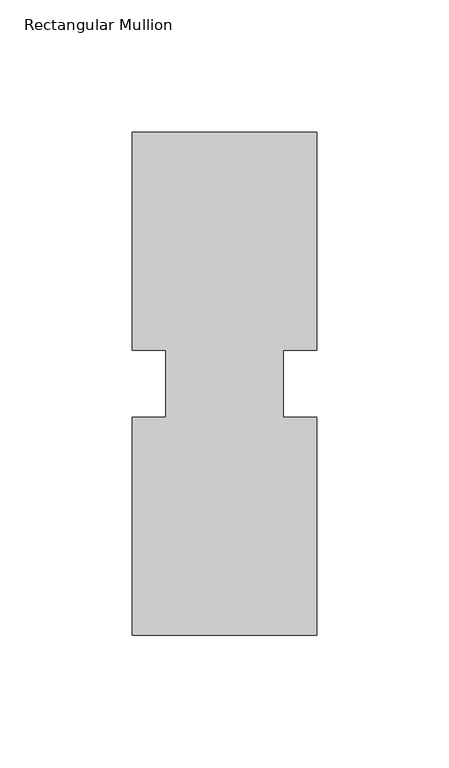
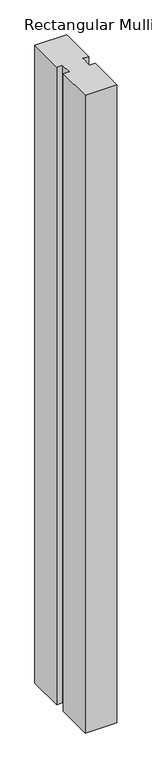
"""IFC4 building model written with IfcOpenShell, lengths in millimetres: member geometry, Rectangular Mullion."""

from ifc_helpers import new_model, si_unit, frame, origin, place, context, project, spatial, polyline, outline, extrude, source, transform, mapped, element, save


def rectangular_mullion_443ddeeb(model_context):
    return source(origin(), model_context, "Body", "SweptSolid", [
        extrude(outline(polyline([(39.2594027, 95.25), (39.2594027, 12.7), (26.5576322, 12.7), (26.5576322, -12.7), (39.2594027, -12.7), (39.2594027, -95.25), (-30.5905973, -95.25), (-30.5905973, -12.7), (-17.8905973, -12.7), (-17.8905973, 12.7), (-30.5905973, 12.7), (-30.5905973, 95.25), (39.2594027, 95.25)])), frame((0.0, 0.0, -1478.28), z_axis=(0.0, 0.0, 1.0), x_axis=(1.0, 0.0, 0.0)), (0.0, 0.0, 1.0), 1478.28),
    ])


if __name__ == "__main__":
    model = new_model("IFC4")
    model_context = context("Model", 3, world=origin())
    ifc_project = project(units=[si_unit("LENGTHUNIT", "METRE", prefix="MILLI")], contexts=[model_context])
    site = spatial("IfcSite", under=ifc_project)
    building = spatial("IfcBuilding", under=site)
    placement = place(None, origin())
    rectangular_mullion_shape = rectangular_mullion_443ddeeb(model_context)
    element("IfcMember", 1, ObjectType="Rectangular Mullion", at=placement, inside=building, context=model_context, shape_type="MappedRepresentation", body=[
        mapped(rectangular_mullion_shape, transform((0.0, 0.0, 0.0), x_axis=(1.0, 0.0, 0.0), y_axis=(0.0, 1.0, 0.0), z_axis=(0.0, 0.0, 1.0))),
    ])
    save(model, "model.ifc")
